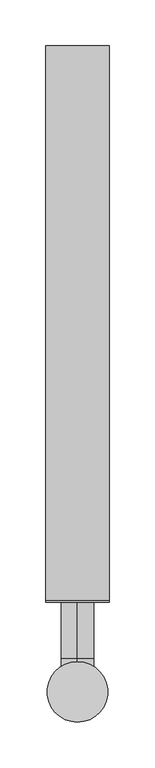
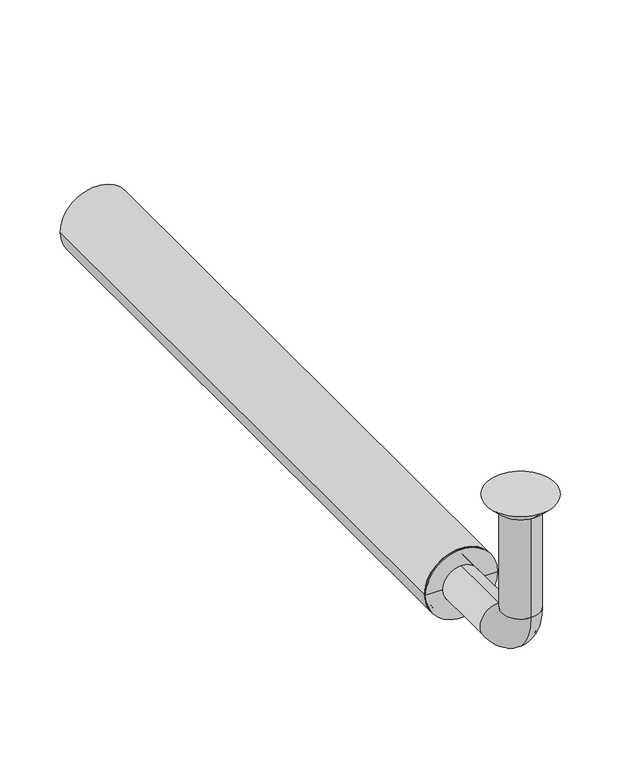
"""IFC4 building model written with IfcOpenShell, lengths in millimetres: beam geometry."""

from ifc_helpers import new_model, si_unit, point, frame, frame_2d, origin, place, context, project, spatial, polyline, circle_curve, ellipse_curve, trimmed, segment, composite_curve, outline, extrude, source, transform, mapped, element, save
from ifc_brep_helpers import plane_surface, cylinder_surface, revolved_surface, advanced_brep


def beam_8d76b2bb(model_context):
    return source(origin(), model_context, "Body", "SolidModel", [
        extrude(outline(composite_curve([segment(trimmed(circle_curve(frame_2d((-150.0, 0.0)), 34.5), [point((-150.0, 34.5))], [point((-150.0, -34.5))], False, "CARTESIAN"), True, "CONTINUOUS"), segment(trimmed(circle_curve(frame_2d((-150.0, 0.0)), 34.5), [point((-150.0, -34.5))], [point((-150.0, 34.5))], False, "CARTESIAN"), True, "CONTINUOUS")], self_intersect=False), holes=[composite_curve([segment(trimmed(circle_curve(frame_2d((-150.0, 0.0)), 31.5), [point((-150.0, 31.5))], [point((-150.0, -31.5))], True, "CARTESIAN"), True, "CONTINUOUS"), segment(trimmed(circle_curve(frame_2d((-150.0, 0.0)), 31.5), [point((-150.0, -31.5))], [point((-150.0, 31.5))], True, "CARTESIAN"), True, "CONTINUOUS")], self_intersect=False)]), frame((0.0, 100.0, 0.0), z_axis=(0.0, 1.0, 0.0), x_axis=(0.0, 0.0, 1.0)), (0.0, 0.0, 1.0), 605.0),
        advanced_brep(
        [(0.0, -18.0, -10.0), (0.0, 18.0, -10.0), (0.0, -17.0, -10.0), (0.0, 17.0, -10.0), (0.0, -18.0, -114.0), (0.0, 18.0, -114.0), (0.0, -17.0, -114.0), (0.0, 17.0, -114.0), (0.0, 36.0, -132.0), (0.0, 36.0, -168.0), (0.0, 36.0, -133.0), (0.0, 36.0, -167.0), (0.0, 123.0, -168.0), (0.0, 123.0, -132.0), (0.0, 123.0, -167.0), (0.0, 123.0, -133.0)],
        [
            (0, 1, circle_curve(frame((0.0, 0.0, -10.0), z_axis=(0.0, 0.0, 1.0), x_axis=(0.0, 1.0, 0.0)), 18.0)),
            (1, 0, circle_curve(frame((0.0, 0.0, -10.0), z_axis=(0.0, 0.0, 1.0), x_axis=(0.0, 1.0, 0.0)), 18.0)),
            (2, 3, circle_curve(frame((0.0, 0.0, -10.0), z_axis=(0.0, 0.0, -1.0), x_axis=(0.0, 1.0, 0.0)), 17.0)),
            (3, 2, circle_curve(frame((0.0, 0.0, -10.0), z_axis=(0.0, 0.0, -1.0), x_axis=(0.0, 1.0, 0.0)), 17.0)),
            (0, 4),
            (4, 5, circle_curve(frame((0.0, 0.0, -114.0), z_axis=(0.0, 0.0, 1.0), x_axis=(0.0, 1.0, 0.0)), 18.0)),
            (5, 1),
            (5, 4, circle_curve(frame((0.0, 0.0, -114.0), z_axis=(0.0, 0.0, 1.0), x_axis=(0.0, 1.0, 0.0)), 18.0)),
            (2, 6),
            (6, 7, circle_curve(frame((0.0, 0.0, -114.0), z_axis=(0.0, 0.0, -1.0), x_axis=(0.0, 1.0, 0.0)), 17.0)),
            (7, 3),
            (7, 6, circle_curve(frame((0.0, 0.0, -114.0), z_axis=(0.0, 0.0, -1.0), x_axis=(0.0, 1.0, 0.0)), 17.0)),
            (8, 5, circle_curve(frame((0.0, 36.0, -114.0), z_axis=(-1.0, 0.0, 0.0), x_axis=(0.0, -1.0, 0.0)), 18.0)),
            (4, 9, circle_curve(frame((0.0, 36.0, -114.0), z_axis=(1.0, 0.0, 0.0), x_axis=(0.0, -1.0, 0.0)), 54.0)),
            (9, 8, circle_curve(frame((0.0, 36.0, -150.0), z_axis=(0.0, -1.0, 0.0), x_axis=(0.0, 0.0, 1.0)), 18.0)),
            (8, 9, circle_curve(frame((0.0, 36.0, -150.0), z_axis=(0.0, -1.0, 0.0), x_axis=(0.0, 0.0, 1.0)), 18.0)),
            (10, 7, circle_curve(frame((0.0, 36.0, -114.0), z_axis=(-1.0, 0.0, 0.0), x_axis=(0.0, -1.0, 0.0)), 19.0)),
            (6, 11, circle_curve(frame((0.0, 36.0, -114.0), z_axis=(1.0, 0.0, 0.0), x_axis=(0.0, -1.0, 0.0)), 53.0)),
            (11, 10, circle_curve(frame((0.0, 36.0, -150.0), z_axis=(0.0, 1.0, 0.0), x_axis=(0.0, 0.0, 1.0)), 17.0)),
            (10, 11, circle_curve(frame((0.0, 36.0, -150.0), z_axis=(0.0, 1.0, 0.0), x_axis=(0.0, 0.0, 1.0)), 17.0)),
            (12, 13, circle_curve(frame((0.0, 123.0, -150.0), z_axis=(0.0, 1.0, 0.0), x_axis=(0.0, 0.0, 1.0)), 18.0)),
            (13, 12, circle_curve(frame((0.0, 123.0, -150.0), z_axis=(0.0, 1.0, 0.0), x_axis=(0.0, 0.0, 1.0)), 18.0)),
            (14, 15, circle_curve(frame((0.0, 123.0, -150.0), z_axis=(0.0, -1.0, 0.0), x_axis=(0.0, 0.0, 1.0)), 17.0)),
            (15, 14, circle_curve(frame((0.0, 123.0, -150.0), z_axis=(0.0, -1.0, 0.0), x_axis=(0.0, 0.0, 1.0)), 17.0)),
            (9, 12),
            (13, 8),
            (11, 14),
            (15, 10),
        ],
        [
            plane_surface(frame((0.0, 0.0, -10.0), z_axis=(0.0, 0.0, 1.0), x_axis=(1.0, 0.0, 0.0))),
            cylinder_surface(frame((0.0, 0.0, -10.0), z_axis=(0.0, 0.0, 1.0), x_axis=(0.0, 1.0, 0.0)), 18.0),
            revolved_surface(polyline([(0.0, 17.0, -114.0), (0.0, 17.0, -10.0)]), (0.0, 0.0, -10.0), (0.0, 0.0, -1.0)),
            revolved_surface(trimmed(ellipse_curve(frame((0.0, 0.0, -114.0), z_axis=(0.0, 0.0, 1.0), x_axis=(0.0, 1.0, 0.0)), 18.0, 18.0), [point((0.0, -18.0, -114.0))], [point((0.0, 18.0, -114.0))], True, "CARTESIAN"), (0.0, 36.0, -114.0), (1.0, 0.0, 0.0)),
            revolved_surface(trimmed(ellipse_curve(frame((0.0, 0.0, -114.0), z_axis=(0.0, 0.0, 1.0), x_axis=(0.0, 1.0, 0.0)), 18.0, 18.0), [point((0.0, 18.0, -114.0))], [point((0.0, -18.0, -114.0))], True, "CARTESIAN"), (0.0, 36.0, -114.0), (1.0, 0.0, 0.0)),
            revolved_surface(trimmed(ellipse_curve(frame((0.0, 0.0, -114.0), z_axis=(0.0, 0.0, -1.0), x_axis=(0.0, 1.0, 0.0)), 17.0, 17.0), [point((0.0, -17.0, -114.0))], [point((0.0, 17.0, -114.0))], True, "CARTESIAN"), (0.0, 36.0, -114.0), (1.0, 0.0, 0.0)),
            revolved_surface(trimmed(ellipse_curve(frame((0.0, 0.0, -114.0), z_axis=(0.0, 0.0, -1.0), x_axis=(0.0, 1.0, 0.0)), 17.0, 17.0), [point((0.0, 17.0, -114.0))], [point((0.0, -17.0, -114.0))], True, "CARTESIAN"), (0.0, 36.0, -114.0), (1.0, 0.0, 0.0)),
            plane_surface(frame((0.0, 123.0, -150.0), z_axis=(0.0, 1.0, 0.0), x_axis=(1.0, 0.0, 0.0))),
            cylinder_surface(frame((0.0, 36.0, -150.0), z_axis=(0.0, -1.0, 0.0), x_axis=(0.0, 0.0, 1.0)), 18.0),
            revolved_surface(polyline([(0.0, 123.0, -133.0), (0.0, 36.0, -133.0)]), (0.0, 36.0, -150.0), (0.0, 1.0, 0.0)),
        ],
        [
            (0, [[1, 2], [3, 4]]),
            (1, [[-1, 5, 6, 7]]),
            (1, [[-2, -7, 8, -5]]),
            (2, [[-3, 9, 10, 11]]),
            (2, [[-4, -11, 12, -9]]),
            (3, [[13, -6, 14, 15]]),
            (4, [[-14, -8, -13, 16]]),
            (5, [[17, -10, 18, 19]]),
            (6, [[-18, -12, -17, 20]]),
            (7, [[21, 22], [23, 24]]),
            (8, [[-15, 25, -22, 26]]),
            (8, [[-16, -26, -21, -25]]),
            (9, [[-19, 27, -24, 28]]),
            (9, [[-20, -28, -23, -27]]),
        ],
    ),
        advanced_brep(
        [(0.0, 23.0, -10.0), (0.0, -23.0, -10.0), (0.0, 33.0, 0.0), (0.0, -33.0, 0.0)],
        [
            (0, 1, circle_curve(frame((0.0, 0.0, -10.0), z_axis=(0.0, 0.0, -1.0), x_axis=(0.0, 1.0, 0.0)), 23.0)),
            (1, 0, circle_curve(frame((0.0, 0.0, -10.0), z_axis=(0.0, 0.0, -1.0), x_axis=(0.0, -1.0, 0.0)), 23.0)),
            (2, 3, circle_curve(frame((0.0, 0.0, 0.0), z_axis=(0.0, 0.0, 1.0), x_axis=(0.0, -1.0, 0.0)), 33.0)),
            (3, 2, circle_curve(frame((0.0, 0.0, 0.0), z_axis=(0.0, 0.0, 1.0), x_axis=(0.0, 1.0, 0.0)), 33.0)),
            (3, 1),
            (0, 2),
        ],
        [
            plane_surface(frame((0.0, 0.0, -10.0), z_axis=(0.0, 0.0, -1.0), x_axis=(-1.0, 0.0, 0.0))),
            plane_surface(frame((0.0, 0.0, 0.0), z_axis=(0.0, 0.0, 1.0), x_axis=(-1.0, 0.0, 0.0))),
            revolved_surface(polyline([(0.0, 23.0, -10.0), (0.0, 33.0, 0.0)]), (0.0, 0.0, -33.0), (0.0, 0.0, 1.0)),
            revolved_surface(polyline([(0.0, -23.0, -10.0), (0.0, -33.0, 0.0)]), (0.0, 0.0, -33.0), (0.0, 0.0, 1.0)),
        ],
        [
            (0, [[1, 2]]),
            (1, [[3, 4]]),
            (2, [[-4, 5, -1, 6]]),
            (3, [[-3, -6, -2, -5]]),
        ],
    ),
        advanced_brep(
        [(31.5, 100.0, -150.0), (-31.5, 100.0, -150.0), (-31.5, 123.0, -150.0), (31.5, 123.0, -150.0), (-18.0, 123.0, -150.0), (18.0, 123.0, -150.0), (-18.0, 98.0, -150.0), (18.0, 98.0, -150.0), (-34.5, 98.0, -150.0), (34.5, 98.0, -150.0), (-34.5, 100.0, -150.0), (34.5, 100.0, -150.0)],
        [
            (0, 1, circle_curve(frame((0.0, 100.0, -150.0), z_axis=(0.0, 1.0, 0.0), x_axis=(-1.0, 0.0, 0.0)), 31.5)),
            (1, 2),
            (2, 3, circle_curve(frame((0.0, 123.0, -150.0), z_axis=(0.0, -1.0, 0.0), x_axis=(-1.0, 0.0, 0.0)), 31.5)),
            (3, 0),
            (1, 0, circle_curve(frame((0.0, 100.0, -150.0), z_axis=(0.0, 1.0, 0.0), x_axis=(-1.0, 0.0, 0.0)), 31.5)),
            (3, 2, circle_curve(frame((0.0, 123.0, -150.0), z_axis=(0.0, -1.0, 0.0), x_axis=(-1.0, 0.0, 0.0)), 31.5)),
            (2, 4),
            (4, 5, circle_curve(frame((0.0, 123.0, -150.0), z_axis=(0.0, -1.0, 0.0), x_axis=(-1.0, 0.0, 0.0)), 18.0)),
            (5, 3),
            (5, 4, circle_curve(frame((0.0, 123.0, -150.0), z_axis=(0.0, -1.0, 0.0), x_axis=(-1.0, 0.0, 0.0)), 18.0)),
            (4, 6),
            (6, 7, circle_curve(frame((0.0, 98.0, -150.0), z_axis=(0.0, -1.0, 0.0), x_axis=(-1.0, 0.0, 0.0)), 18.0)),
            (7, 5),
            (7, 6, circle_curve(frame((0.0, 98.0, -150.0), z_axis=(0.0, -1.0, 0.0), x_axis=(-1.0, 0.0, 0.0)), 18.0)),
            (6, 8),
            (8, 9, circle_curve(frame((0.0, 98.0, -150.0), z_axis=(0.0, -1.0, 0.0), x_axis=(-1.0, 0.0, 0.0)), 34.5)),
            (9, 7),
            (9, 8, circle_curve(frame((0.0, 98.0, -150.0), z_axis=(0.0, -1.0, 0.0), x_axis=(-1.0, 0.0, 0.0)), 34.5)),
            (8, 10),
            (10, 11, circle_curve(frame((0.0, 100.0, -150.0), z_axis=(0.0, -1.0, 0.0), x_axis=(-1.0, 0.0, 0.0)), 34.5)),
            (11, 9),
            (11, 10, circle_curve(frame((0.0, 100.0, -150.0), z_axis=(0.0, -1.0, 0.0), x_axis=(-1.0, 0.0, 0.0)), 34.5)),
            (10, 1),
            (0, 11),
        ],
        [
            cylinder_surface(frame((0.0, 98.0, -150.0), z_axis=(0.0, -1.0, 0.0), x_axis=(-1.0, 0.0, 0.0)), 31.5),
            plane_surface(frame((0.0, 123.0, -150.0), z_axis=(0.0, 1.0, 0.0), x_axis=(-1.0, 0.0, 0.0))),
            revolved_surface(polyline([(-18.0, 98.0, -150.0), (-18.0, 123.0, -150.0)]), (0.0, 98.0, -150.0), (0.0, -1.0, 0.0)),
            plane_surface(frame((0.0, 98.0, -150.0), z_axis=(0.0, -1.0, 0.0), x_axis=(-1.0, 0.0, 0.0))),
            cylinder_surface(frame((0.0, 98.0, -150.0), z_axis=(0.0, -1.0, 0.0), x_axis=(-1.0, 0.0, 0.0)), 34.5),
            plane_surface(frame((0.0, 100.0, -150.0), z_axis=(0.0, 1.0, 0.0), x_axis=(-1.0, 0.0, 0.0))),
        ],
        [
            (0, [[1, 2, 3, 4]]),
            (0, [[5, -4, 6, -2]]),
            (1, [[-3, 7, 8, 9]]),
            (1, [[-6, -9, 10, -7]]),
            (2, [[-8, 11, 12, 13]]),
            (2, [[-10, -13, 14, -11]]),
            (3, [[-12, 15, 16, 17]]),
            (3, [[-14, -17, 18, -15]]),
            (4, [[-16, 19, 20, 21]]),
            (4, [[-18, -21, 22, -19]]),
            (5, [[-20, 23, -1, 24]]),
            (5, [[-22, -24, -5, -23]]),
        ],
    ),
    ])


if __name__ == "__main__":
    model = new_model("IFC4")
    model_context = context("Model", 3, world=origin())
    ifc_project = project(units=[si_unit("LENGTHUNIT", "METRE", prefix="MILLI")], contexts=[model_context])
    site = spatial("IfcSite", under=ifc_project)
    building = spatial("IfcBuilding", under=site)
    placement = place(None, origin())
    beam_shape = beam_8d76b2bb(model_context)
    element("IfcBeam", 1, at=placement, inside=building, context=model_context, shape_type="MappedRepresentation", body=[
        mapped(beam_shape, transform((0.0, 0.0, 0.0), x_axis=(1.0, 0.0, 0.0), y_axis=(0.0, 1.0, 0.0), z_axis=(0.0, 0.0, 1.0))),
    ])
    save(model, "model.ifc")
